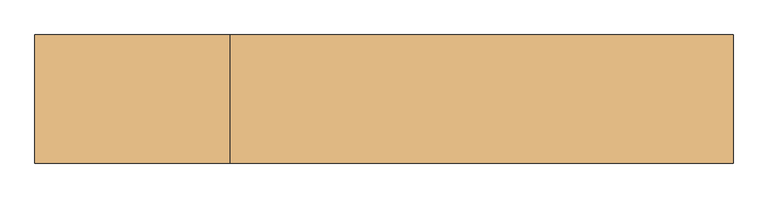
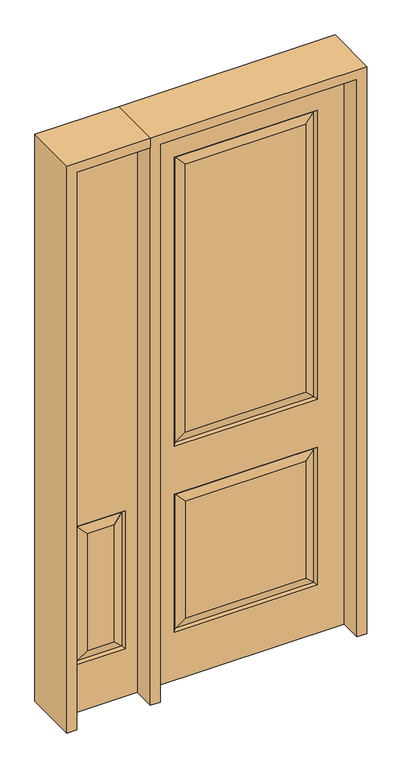
"""IFC4 building model written with IfcOpenShell, lengths in millimetres: door geometry."""

from ifc_helpers import new_model, si_unit, frame, origin, place, context, project, spatial, polyline, outline, extrude, faceted_brep, source, transform, mapped, element, save


def door_3cb7244a(model_context):
    return source(origin(), model_context, "Body", "SolidModel", [
        faceted_brep([(-692.6947439, 11.6572439, 218.5302561), (-701.675, 20.6375, 209.55), (-701.675, 20.6375, 812.8), (-692.6947439, 11.6572439, 803.8197439), (-498.475, 20.6375, 812.8), (-507.4552561, 11.6572439, 803.8197439), (-507.4552561, -11.6572439, 218.5302561), (-692.6947439, -11.6572439, 218.5302561), (-701.675, -20.6375, 209.55), (-498.475, -20.6375, 209.55), (-544.5125, -20.6375, 255.5875), (-507.4552561, -11.6572439, 803.8197439), (-544.5125, -20.6375, 766.7625), (-655.6375, -20.6375, 255.5875), (-655.6375, -20.6375, 766.7625), (-692.6947439, -11.6572439, 803.8197439), (-752.475, -20.6375, 0.0), (-447.675, -20.6375, 0.0), (-447.675, -20.6375, 2438.4), (-752.475, -20.6375, 2438.4), (-701.675, -20.6375, 812.8), (-498.475, -20.6375, 812.8), (-752.475, 20.6375, 0.0), (-447.675, 20.6375, 0.0), (-447.675, 20.6375, 2438.4), (-752.475, 20.6375, 2438.4), (-544.5125, 20.6375, 255.5875), (-655.6375, 20.6375, 255.5875), (-655.6375, 20.6375, 766.7625), (-544.5125, 20.6375, 766.7625), (-498.475, 20.6375, 209.55), (-507.4552561, 11.6572439, 218.5302561)], [[[0, 1, 2, 3]], [[3, 2, 4, 5]], [[6, 7, 8, 9]], [[10, 6, 11, 12]], [[7, 13, 14, 15]], [[16, 17, 18, 19], [9, 8, 20, 21]], [[13, 10, 12, 14]], [[17, 16, 22, 23]], [[18, 17, 23, 24]], [[16, 19, 25, 22]], [[8, 7, 15, 20]], [[20, 15, 11, 21]], [[6, 9, 21, 11]], [[7, 6, 10, 13]], [[15, 14, 12, 11]], [[26, 27, 28, 29]], [[22, 25, 24, 23], [1, 30, 4, 2]], [[1, 0, 31, 30]], [[30, 31, 5, 4]], [[31, 0, 27, 26]], [[27, 0, 3, 28]], [[28, 3, 5, 29]], [[31, 26, 29, 5]], [[19, 18, 24, 25]]]),
        faceted_brep([(-286.2947439, -11.6572439, 218.5302561), (-249.2375, -20.6375, 255.5875), (-249.2375, -20.6375, 766.7625), (-286.2947439, -11.6572439, 803.8197439), (286.2947439, 11.6572439, 803.8197439), (-286.2947439, 11.6572439, 803.8197439), (-295.275, 20.6375, 812.8), (295.275, 20.6375, 812.8), (-286.2947439, 11.6572439, 218.5302561), (-295.275, 20.6375, 209.55), (286.2947439, 11.6572439, 218.5302561), (295.275, 20.6375, 209.55), (286.2947439, -11.6572439, 1031.3302561), (-286.2947439, -11.6572439, 1031.3302561), (-295.275, -20.6375, 1022.35), (295.275, -20.6375, 1022.35), (-286.2947439, -11.6572439, 2277.0197439), (-295.275, -20.6375, 2286.0), (295.275, -20.6375, 2286.0), (286.2947439, -11.6572439, 2277.0197439), (249.2375, -20.6375, 1068.3875), (-249.2375, -20.6375, 1068.3875), (-295.275, -20.6375, 812.8), (286.2947439, -11.6572439, 803.8197439), (295.275, -20.6375, 812.8), (406.4, 20.6375, 0.0), (406.4, -20.6375, 0.0), (-406.4, -20.6375, 0.0), (-406.4, 20.6375, 0.0), (406.4, 20.6375, 2438.4), (406.4, -20.6375, 2438.4), (249.2375, -20.6375, 255.5875), (249.2375, -20.6375, 766.7625), (249.2375, -20.6375, 2239.9625), (-249.2375, -20.6375, 2239.9625), (-406.4, -20.6375, 2438.4), (295.275, -20.6375, 209.55), (-295.275, -20.6375, 209.55), (-406.4, 20.6375, 2438.4), (-249.2375, 20.6375, 766.7625), (249.2375, 20.6375, 766.7625), (249.2375, 20.6375, 255.5875), (-249.2375, 20.6375, 255.5875), (-249.2375, 20.6375, 2239.9625), (249.2375, 20.6375, 2239.9625), (249.2375, 20.6375, 1068.3875), (-249.2375, 20.6375, 1068.3875), (295.275, 20.6375, 2286.0), (-295.275, 20.6375, 2286.0), (-295.275, 20.6375, 1022.35), (295.275, 20.6375, 1022.35), (-286.2947439, 11.6572439, 2277.0197439), (-286.2947439, 11.6572439, 1031.3302561), (286.2947439, 11.6572439, 1031.3302561), (286.2947439, 11.6572439, 2277.0197439), (286.2947439, -11.6572439, 218.5302561)], [[[0, 1, 2, 3]], [[4, 5, 6, 7]], [[6, 5, 8, 9]], [[9, 8, 10, 11]], [[12, 13, 14, 15]], [[14, 13, 16, 17]], [[12, 15, 18, 19]], [[13, 12, 20, 21]], [[22, 3, 23, 24]], [[25, 26, 27, 28]], [[29, 30, 26, 25]], [[1, 31, 32, 2]], [[21, 20, 33, 34]], [[30, 35, 27, 26], [15, 14, 17, 18], [36, 37, 22, 24]], [[3, 2, 32, 23]], [[35, 38, 28, 27]], [[39, 40, 41, 42]], [[43, 44, 45, 46]], [[38, 29, 25, 28], [7, 6, 9, 11], [47, 48, 49, 50]], [[48, 51, 52, 49]], [[49, 52, 53, 50]], [[54, 47, 50, 53]], [[44, 54, 53, 45]], [[52, 46, 45, 53]], [[51, 43, 46, 52]], [[4, 7, 11, 10]], [[5, 4, 40, 39]], [[40, 4, 10, 41]], [[8, 42, 41, 10]], [[5, 39, 42, 8]], [[20, 12, 19, 33]], [[13, 21, 34, 16]], [[55, 0, 37, 36]], [[37, 0, 3, 22]], [[55, 36, 24, 23]], [[0, 55, 31, 1]], [[31, 55, 23, 32]], [[29, 38, 35, 30]], [[17, 16, 19, 18]], [[16, 34, 33, 19]], [[54, 51, 48, 47]], [[51, 54, 44, 43]]]),
        extrude(outline(polyline([(2438.4, -447.675), (2479.675, -447.675), (2479.675, -793.75), (0.0, -793.75), (0.0, -752.475), (2438.4, -752.475), (2438.4, -447.675)])), frame((0.0, -114.3, 0.0), z_axis=(0.0, 1.0, 0.0), x_axis=(0.0, 0.0, 1.0)), (0.0, 0.0, 1.0), 228.6),
        extrude(outline(polyline([(2479.675, -447.675), (0.0, -447.675), (0.0, -406.4), (2438.4, -406.4), (2438.4, 406.4), (0.0, 406.4), (0.0, 447.675), (2479.675, 447.675), (2479.675, -447.675)])), frame((0.0, -114.3, 0.0), z_axis=(0.0, 1.0, 0.0), x_axis=(0.0, 0.0, 1.0)), (0.0, 0.0, 1.0), 228.6),
    ])


if __name__ == "__main__":
    model = new_model("IFC4")
    model_context = context("Model", 3, world=origin())
    ifc_project = project(units=[si_unit("LENGTHUNIT", "METRE", prefix="MILLI")], contexts=[model_context])
    site = spatial("IfcSite", under=ifc_project)
    building = spatial("IfcBuilding", under=site)
    placement = place(None, origin())
    door_shape = door_3cb7244a(model_context)
    element("IfcDoor", 1, at=placement, inside=building, context=model_context, shape_type="MappedRepresentation", body=[
        mapped(door_shape, transform((0.0, 0.0, 0.0), x_axis=(1.0, 0.0, 0.0), y_axis=(0.0, 1.0, 0.0), z_axis=(0.0, 0.0, 1.0))),
    ])
    save(model, "model.ifc")
